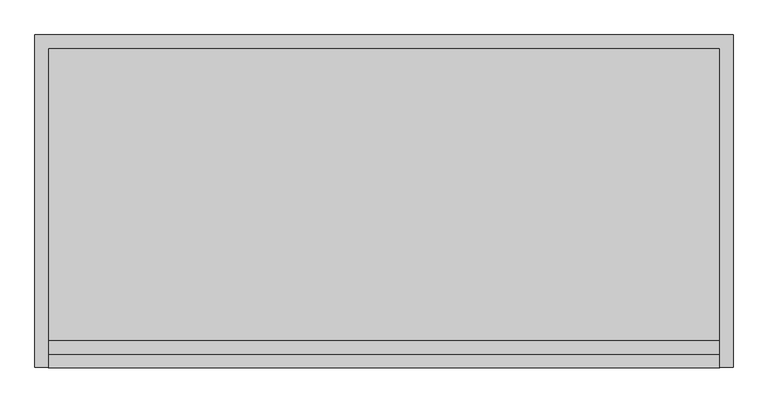
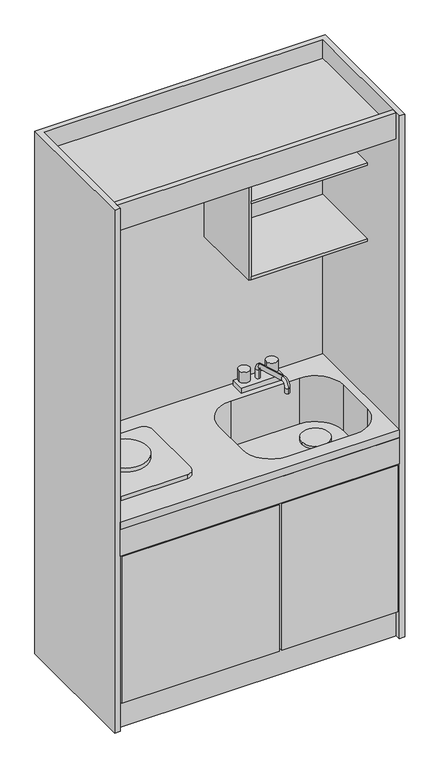
"""IFC4 building model written with IfcOpenShell, lengths in millimetres: flow terminal geometry."""

from ifc_helpers import new_model, si_unit, point, frame, frame_2d, origin, origin_with_axes, place, context, project, spatial, polyline, circle_curve, ellipse_curve, trimmed, segment, composite_curve, outline, extrude, source, transform, mapped, element, save
from ifc_brep_helpers import plane_surface, cylinder_surface, revolved_surface, advanced_brep


def flow_terminal_bab0008f(model_context):
    return source(origin(), model_context, "Body", "SolidModel", [
        extrude(outline(composite_curve([segment(trimmed(circle_curve(frame_2d((325.0, -109.5)), 20.0), [point((305.0, -109.5))], [point((345.0, -109.5))], False, "CARTESIAN"), True, "CONTINUOUS"), segment(trimmed(circle_curve(frame_2d((325.0, -109.5)), 20.0), [point((345.0, -109.5))], [point((305.0, -109.5))], False, "CARTESIAN"), True, "CONTINUOUS")], self_intersect=False)), frame((0.0, 0.0, 830.0), z_axis=(0.0, 0.0, 1.0), x_axis=(1.0, 0.0, 0.0)), (0.0, 0.0, 1.0), 40.0),
        extrude(outline(composite_curve([segment(trimmed(circle_curve(frame_2d((425.0, -109.5)), 20.0), [point((405.0, -109.5))], [point((445.0, -109.5))], False, "CARTESIAN"), True, "CONTINUOUS"), segment(trimmed(circle_curve(frame_2d((425.0, -109.5)), 20.0), [point((445.0, -109.5))], [point((405.0, -109.5))], False, "CARTESIAN"), True, "CONTINUOUS")], self_intersect=False)), frame((0.0, 0.0, 830.0), z_axis=(0.0, 0.0, 1.0), x_axis=(1.0, 0.0, 0.0)), (0.0, 0.0, 1.0), 40.0),
        extrude(outline(composite_curve([segment(trimmed(circle_curve(frame_2d((500.0, -254.5)), 50.0), [point((450.0, -254.5))], [point((550.0, -254.5))], False, "CARTESIAN"), True, "CONTINUOUS"), segment(trimmed(circle_curve(frame_2d((500.0, -254.5)), 50.0), [point((550.0, -254.5))], [point((450.0, -254.5))], False, "CARTESIAN"), True, "CONTINUOUS")], self_intersect=False)), frame((0.0, 0.0, 625.0), z_axis=(0.0, 0.0, 1.0), x_axis=(1.0, 0.0, 0.0)), (0.0, 0.0, 1.0), 10.0),
        advanced_brep(
        [(375.0, -117.5, 820.0), (375.0, -101.5, 820.0), (375.0, -101.5, 851.9796612), (375.0, -117.5, 851.9796612), (375.0, -121.7800641, 878.8943894), (375.0, -126.1914561, 863.5145447), (375.0, -266.7800641, 920.4846554), (375.0, -271.1914561, 905.1048107), (375.0, -302.5, 893.5699272), (375.0, -286.5, 893.5699272), (375.0, -286.5, 874.8101657), (375.0, -302.5, 874.8101657)],
        [
            (0, 1, circle_curve(frame((375.0, -109.5, 820.0), z_axis=(0.0, 0.0, -1.0), x_axis=(0.0, 1.0, 0.0)), 8.0)),
            (1, 0, circle_curve(frame((375.0, -109.5, 820.0), z_axis=(0.0, 0.0, -1.0), x_axis=(0.0, 1.0, 0.0)), 8.0)),
            (1, 2),
            (2, 3, circle_curve(frame((375.0, -109.5, 851.9796612), z_axis=(0.0, 0.0, -1.0), x_axis=(0.0, 1.0, 0.0)), 8.0)),
            (3, 0),
            (3, 2, circle_curve(frame((375.0, -109.5, 851.9796612), z_axis=(0.0, 0.0, -1.0), x_axis=(0.0, 1.0, 0.0)), 8.0)),
            (4, 5, circle_curve(frame((375.0, -123.9857601, 871.204467), z_axis=(0.0, 0.9612402901914646, -0.2757119955907413), x_axis=(0.0, 0.2757119955907413, 0.9612402901914646)), 8.0)),
            (5, 3, circle_curve(frame((375.0, -129.5, 851.9796612), z_axis=(-1.0, 0.0, 0.0), x_axis=(0.0, 1.0, 0.0)), 12.0)),
            (2, 4, circle_curve(frame((375.0, -129.5, 851.9796612), z_axis=(1.0, 0.0, 0.0), x_axis=(0.0, 1.0, 0.0)), 28.0)),
            (5, 4, circle_curve(frame((375.0, -123.9857601, 871.204467), z_axis=(0.0, 0.9612402901914623, -0.2757119955907494), x_axis=(0.0, 0.2757119955907494, 0.9612402901914623)), 8.0)),
            (4, 6),
            (6, 7, circle_curve(frame((375.0, -268.9857601, 912.794733), z_axis=(0.0, 0.961240290191471, -0.27571199559071913), x_axis=(0.0, 0.27571199559071913, 0.961240290191471)), 8.0)),
            (7, 5),
            (7, 6, circle_curve(frame((375.0, -268.9857601, 912.794733), z_axis=(0.0, 0.961240290191471, -0.27571199559071913), x_axis=(0.0, 0.27571199559071913, 0.961240290191471)), 8.0)),
            (8, 9, circle_curve(frame((375.0, -294.5, 893.5699272), z_axis=(0.0, 0.0, 1.0), x_axis=(0.0, -1.0, 0.0)), 8.0)),
            (9, 7, circle_curve(frame((375.0, -274.5, 893.5699272), z_axis=(-1.0, 0.0, 0.0), x_axis=(0.0, 0.27571199559073684, 0.9612402901914658)), 12.0)),
            (6, 8, circle_curve(frame((375.0, -274.5, 893.5699272), z_axis=(1.0, 0.0, 0.0), x_axis=(0.0, 0.27571199559073684, 0.9612402901914658)), 28.0)),
            (9, 8, circle_curve(frame((375.0, -294.5, 893.5699272), z_axis=(0.0, 0.0, 0.9999999999999999), x_axis=(0.0, -0.9999999999999999, 0.0)), 8.0)),
            (10, 11, circle_curve(frame((375.0, -294.5, 874.8101657), z_axis=(0.0, 0.0, -1.0), x_axis=(0.0, -1.0, 0.0)), 8.0)),
            (11, 10, circle_curve(frame((375.0, -294.5, 874.8101657), z_axis=(0.0, 0.0, -1.0), x_axis=(0.0, -1.0, 0.0)), 8.0)),
            (8, 11),
            (10, 9),
        ],
        [
            plane_surface(frame((375.0, -109.5, 820.0), z_axis=(0.0, 0.0, -1.0), x_axis=(1.0, 0.0, 0.0))),
            cylinder_surface(frame((375.0, -109.5, 820.0), z_axis=(0.0, 0.0, -1.0), x_axis=(0.0, 1.0, 0.0)), 8.0),
            revolved_surface(trimmed(ellipse_curve(frame((375.0, -109.5, 851.9796612), z_axis=(0.0, 0.0, 1.0), x_axis=(0.0, 1.0, 0.0)), 8.0, 8.0), [point((375.0, -117.5, 851.9796612))], [point((375.0, -101.5, 851.9796612))], True, "CARTESIAN"), (375.0, -129.5, 851.9796612), (-1.0, 0.0, 0.0)),
            revolved_surface(trimmed(ellipse_curve(frame((375.0, -109.5, 851.9796612), z_axis=(0.0, 0.0, 1.0), x_axis=(0.0, 1.0, 0.0)), 8.0, 8.0), [point((375.0, -101.5, 851.9796612))], [point((375.0, -117.5, 851.9796612))], True, "CARTESIAN"), (375.0, -129.5, 851.9796612), (-1.0, 0.0, 0.0)),
            cylinder_surface(frame((375.0, -123.9857601, 871.204467), z_axis=(0.0, 0.961240290191471, -0.27571199559071913), x_axis=(0.0, 0.27571199559071913, 0.961240290191471)), 8.0),
            revolved_surface(trimmed(ellipse_curve(frame((375.0, -268.9857601, 912.794733), z_axis=(0.0, -0.9612402901914658, 0.27571199559073684), x_axis=(0.0, 0.27571199559073684, 0.9612402901914658)), 8.0, 8.0), [point((375.0, -271.1914561, 905.1048107))], [point((375.0, -266.7800641, 920.4846554))], True, "CARTESIAN"), (375.0, -274.5, 893.5699272), (-1.0, 0.0, 0.0)),
            revolved_surface(trimmed(ellipse_curve(frame((375.0, -268.9857601, 912.794733), z_axis=(0.0, -0.9612402901914658, 0.27571199559073684), x_axis=(0.0, 0.27571199559073684, 0.9612402901914658)), 8.0, 8.0), [point((375.0, -266.7800641, 920.4846554))], [point((375.0, -271.1914561, 905.1048107))], True, "CARTESIAN"), (375.0, -274.5, 893.5699272), (-1.0, 0.0, 0.0)),
            plane_surface(frame((375.0, -294.5, 874.8101657), z_axis=(0.0, 0.0, -1.0), x_axis=(1.0, 0.0, 0.0))),
            cylinder_surface(frame((375.0, -294.5, 893.5699272), z_axis=(0.0, 0.0, 1.0), x_axis=(0.0, -1.0, 0.0)), 8.0),
        ],
        [
            (0, [[1, 2]]),
            (1, [[3, 4, 5, -2]]),
            (1, [[-5, 6, -3, -1]]),
            (2, [[7, 8, -4, 9]]),
            (3, [[10, -9, -6, -8]]),
            (4, [[11, 12, 13, -7]]),
            (4, [[-13, 14, -11, -10]]),
            (5, [[15, 16, -12, 17]]),
            (6, [[18, -17, -14, -16]]),
            (7, [[19, 20]]),
            (8, [[21, -19, 22, -15]]),
            (8, [[-22, -20, -21, -18]]),
        ],
    ),
        extrude(outline(polyline([(450.0, -84.5), (450.0, -134.5), (300.0, -134.5), (300.0, -84.5), (450.0, -84.5)])), frame((0.0, 0.0, 800.0), z_axis=(0.0, 0.0, 1.0), x_axis=(1.0, 0.0, 0.0)), (0.0, 0.0, 1.0), 20.0),
        extrude(outline(composite_curve([segment(trimmed(circle_curve(frame_2d((-200.0, -274.5)), 80.0), [point((-280.0, -274.5))], [point((-120.0, -274.5))], False, "CARTESIAN"), True, "CONTINUOUS"), segment(trimmed(circle_curve(frame_2d((-200.0, -274.5)), 80.0), [point((-120.0, -274.5))], [point((-280.0, -274.5))], False, "CARTESIAN"), True, "CONTINUOUS")], self_intersect=False)), frame((0.0, 0.0, 815.0), z_axis=(0.0, 0.0, 1.0), x_axis=(1.0, 0.0, 0.0)), (0.0, 0.0, 1.0), 15.0),
        extrude(outline(composite_curve([segment(trimmed(circle_curve(frame_2d((-80.0, -184.5)), 30.0), [point((-80.0, -154.5))], [point((-50.0, -184.5))], False, "CARTESIAN"), True, "CONTINUOUS"), segment(polyline([(-50.0, -184.5), (-50.0, -424.5)]), True, "CONTINUOUS"), segment(trimmed(circle_curve(frame_2d((-80.0, -424.5)), 30.0), [point((-50.0, -424.5))], [point((-80.0, -454.5))], False, "CARTESIAN"), True, "CONTINUOUS"), segment(polyline([(-80.0, -454.5), (-320.0, -454.5)]), True, "CONTINUOUS"), segment(trimmed(circle_curve(frame_2d((-320.0, -424.5)), 30.0), [point((-320.0, -454.5))], [point((-350.0, -424.5))], False, "CARTESIAN"), True, "CONTINUOUS"), segment(polyline([(-350.0, -424.5), (-350.0, -184.5)]), True, "CONTINUOUS"), segment(trimmed(circle_curve(frame_2d((-320.0, -184.5)), 30.0), [point((-350.0, -184.5))], [point((-320.0, -154.5))], False, "CARTESIAN"), True, "CONTINUOUS"), segment(polyline([(-320.0, -154.5), (-80.0, -154.5)]), True, "CONTINUOUS")], self_intersect=False)), frame((0.0, 0.0, 800.0), z_axis=(0.0, 0.0, 1.0), x_axis=(1.0, 0.0, 0.0)), (0.0, 0.0, 1.0), 15.0),
        extrude(outline(polyline([(630.0, -534.5), (630.0, -554.5), (-380.0, -554.5), (-380.0, -534.5), (630.0, -534.5)])), frame((0.0, 0.0, 670.0), z_axis=(0.0, 0.0, 1.0), x_axis=(1.0, 0.0, 0.0)), (0.0, 0.0, 1.0), 100.0),
        advanced_brep(
        [(-380.0, -74.5, 770.0), (630.0, -74.5, 770.0), (630.0, -554.5, 770.0), (-380.0, -554.5, 770.0), (250.0, -144.5, 770.0), (140.0, -254.5, 770.0), (140.0, -404.5, 770.0), (250.0, -514.5, 770.0), (500.0, -514.5, 770.0), (610.0, -404.5, 770.0), (610.0, -254.5, 770.0), (500.0, -144.5, 770.0), (-380.0, -74.5, 800.0), (-380.0, -554.5, 800.0), (630.0, -554.5, 800.0), (630.0, -74.5, 800.0), (600.0, -254.5, 800.0), (600.0, -404.5, 800.0), (500.0, -504.5, 800.0), (250.0, -504.5, 800.0), (150.0, -404.5, 800.0), (150.0, -254.5, 800.0), (250.0, -154.5, 800.0), (500.0, -154.5, 800.0), (500.0, -144.5, 620.0), (610.0, -254.5, 620.0), (610.0, -404.5, 620.0), (500.0, -514.5, 620.0), (250.0, -514.5, 620.0), (140.0, -404.5, 620.0), (140.0, -254.5, 620.0), (250.0, -144.5, 620.0), (500.0, -154.5, 625.0), (250.0, -154.5, 625.0), (150.0, -254.5, 625.0), (150.0, -404.5, 625.0), (250.0, -504.5, 625.0), (500.0, -504.5, 625.0), (600.0, -404.5, 625.0), (600.0, -254.5, 625.0)],
        [
            (0, 1),
            (1, 2),
            (2, 3),
            (3, 0),
            (4, 5, circle_curve(frame((250.0, -254.5, 770.0), z_axis=(0.0, 0.0, 1.0), x_axis=(0.0, -1.0, 0.0)), 110.0)),
            (5, 6),
            (6, 7, circle_curve(frame((250.0, -404.5, 770.0), z_axis=(0.0, 0.0, 1.0), x_axis=(0.0, -1.0, 0.0)), 110.0)),
            (7, 8),
            (8, 9, circle_curve(frame((500.0, -404.5, 770.0), z_axis=(0.0, 0.0, 1.0), x_axis=(0.0, -1.0, 0.0)), 110.0)),
            (9, 10),
            (10, 11, circle_curve(frame((500.0, -254.5, 770.0), z_axis=(0.0, 0.0, 1.0), x_axis=(0.0, -1.0, 0.0)), 110.0)),
            (11, 4),
            (12, 13),
            (13, 14),
            (14, 15),
            (15, 12),
            (16, 17),
            (17, 18, circle_curve(frame((500.0, -404.5, 800.0), z_axis=(0.0, 0.0, -1.0), x_axis=(1.0, 0.0, 0.0)), 100.0)),
            (18, 19),
            (19, 20, circle_curve(frame((250.0, -404.5, 800.0), z_axis=(0.0, 0.0, -1.0), x_axis=(1.0, 0.0, 0.0)), 100.0)),
            (20, 21),
            (21, 22, circle_curve(frame((250.0, -254.5, 800.0), z_axis=(0.0, 0.0, -1.0), x_axis=(1.0, 0.0, 0.0)), 100.0)),
            (22, 23),
            (23, 16, circle_curve(frame((500.0, -254.5, 800.0), z_axis=(0.0, 0.0, -1.0), x_axis=(1.0, 0.0, 0.0)), 100.0)),
            (3, 13),
            (12, 0),
            (2, 14),
            (1, 15),
            (24, 25, circle_curve(frame((500.0, -254.5, 620.0), z_axis=(0.0, 0.0, -1.0), x_axis=(0.0, -1.0, 0.0)), 110.0)),
            (25, 26),
            (26, 27, circle_curve(frame((500.0, -404.5, 620.0), z_axis=(0.0, 0.0, -1.0), x_axis=(0.0, -1.0, 0.0)), 110.0)),
            (27, 28),
            (28, 29, circle_curve(frame((250.0, -404.5, 620.0), z_axis=(0.0, 0.0, -1.0), x_axis=(0.0, -1.0, 0.0)), 110.0)),
            (29, 30),
            (30, 31, circle_curve(frame((250.0, -254.5, 620.0), z_axis=(0.0, 0.0, -1.0), x_axis=(0.0, -1.0, 0.0)), 110.0)),
            (31, 24),
            (31, 4),
            (11, 24),
            (30, 5),
            (29, 6),
            (28, 7),
            (27, 8),
            (26, 9),
            (25, 10),
            (32, 33),
            (33, 34, circle_curve(frame((250.0, -254.5, 625.0), z_axis=(0.0, 0.0, 1.0), x_axis=(1.0, 0.0, 0.0)), 100.0)),
            (34, 35),
            (35, 36, circle_curve(frame((250.0, -404.5, 625.0), z_axis=(0.0, 0.0, 1.0), x_axis=(1.0, 0.0, 0.0)), 100.0)),
            (36, 37),
            (37, 38, circle_curve(frame((500.0, -404.5, 625.0), z_axis=(0.0, 0.0, 1.0), x_axis=(1.0, 0.0, 0.0)), 100.0)),
            (38, 39),
            (39, 32, circle_curve(frame((500.0, -254.5, 625.0), z_axis=(0.0, 0.0, 1.0), x_axis=(1.0, 0.0, 0.0)), 100.0)),
            (39, 16),
            (23, 32),
            (38, 17),
            (37, 18),
            (36, 19),
            (35, 20),
            (34, 21),
            (33, 22),
        ],
        [
            plane_surface(frame((-380.0, -554.5, 770.0), z_axis=(0.0, 0.0, -1.0), x_axis=(0.0, -1.0, 0.0))),
            plane_surface(frame((-380.0, -554.5, 800.0), z_axis=(0.0, 0.0, 1.0), x_axis=(0.0, 1.0, 0.0))),
            plane_surface(frame((-380.0, -74.5, 770.0), z_axis=(-1.0, 0.0, 0.0), x_axis=(0.0, 0.0, 1.0))),
            plane_surface(frame((-380.0, -554.5, 770.0), z_axis=(0.0, -1.0, 0.0), x_axis=(0.0, 0.0, 1.0))),
            plane_surface(frame((630.0, -554.5, 770.0), z_axis=(1.0, 0.0, 0.0), x_axis=(0.0, 0.0, 1.0))),
            plane_surface(frame((630.0, -74.5, 770.0), z_axis=(0.0, 1.0, 0.0), x_axis=(0.0, 0.0, 1.0))),
            plane_surface(frame((250.0, -144.5, 620.0), z_axis=(0.0, 0.0, -1.0), x_axis=(-1.0, 0.0, 0.0))),
            plane_surface(frame((500.0, -144.5, 620.0), z_axis=(0.0, 1.0, 0.0), x_axis=(0.0, 0.0, 1.0))),
            cylinder_surface(frame((250.0, -254.5, 770.0), z_axis=(0.0, 0.0, -1.0), x_axis=(0.0, -1.0, 0.0)), 110.0),
            plane_surface(frame((140.0, -254.5, 620.0), z_axis=(-1.0, 0.0, 0.0), x_axis=(0.0, 0.0, 1.0))),
            cylinder_surface(frame((250.0, -404.5, 770.0), z_axis=(0.0, 0.0, -1.0), x_axis=(0.0, -1.0, 0.0)), 110.0),
            plane_surface(frame((250.0, -514.5, 620.0), z_axis=(0.0, -1.0, 0.0), x_axis=(0.0, 0.0, 1.0))),
            cylinder_surface(frame((500.0, -404.5, 770.0), z_axis=(0.0, 0.0, -1.0), x_axis=(0.0, -1.0, 0.0)), 110.0),
            plane_surface(frame((610.0, -404.5, 620.0), z_axis=(1.0, 0.0, 0.0), x_axis=(0.0, 0.0, 1.0))),
            cylinder_surface(frame((500.0, -254.5, 770.0), z_axis=(0.0, 0.0, -1.0), x_axis=(0.0, -1.0, 0.0)), 110.0),
            plane_surface(frame((600.0, -254.5, 625.0), z_axis=(0.0, 0.0, 1.0), x_axis=(0.0, 1.0, 0.0))),
            revolved_surface(polyline([(600.0, -254.5, 800.0), (600.0, -254.5, 625.0)]), (500.0, -254.5, 625.0), (0.0, 0.0, 1.0)),
            plane_surface(frame((600.0, -254.5, 800.0), z_axis=(-1.0, 0.0, 0.0), x_axis=(0.0, 0.0, -1.0))),
            revolved_surface(polyline([(600.0, -404.5, 800.0), (600.0, -404.5, 625.0)]), (500.0, -404.5, 625.0), (0.0, 0.0, 1.0)),
            plane_surface(frame((500.0, -504.5, 800.0), z_axis=(0.0, 1.0, 0.0), x_axis=(0.0, 0.0, -1.0))),
            revolved_surface(polyline([(350.0, -404.5, 800.0), (350.0, -404.5, 625.0)]), (250.0, -404.5, 625.0), (0.0, 0.0, 1.0)),
            plane_surface(frame((150.0, -404.5, 800.0), z_axis=(1.0, 0.0, 0.0), x_axis=(0.0, 0.0, -1.0))),
            revolved_surface(polyline([(350.0, -254.5, 800.0), (350.0, -254.5, 625.0)]), (250.0, -254.5, 625.0), (0.0, 0.0, 1.0)),
            plane_surface(frame((250.0, -154.5, 800.0), z_axis=(0.0, -1.0, 0.0), x_axis=(0.0, 0.0, -1.0))),
        ],
        [
            (0, [[1, 2, 3, 4], [5, 6, 7, 8, 9, 10, 11, 12]]),
            (1, [[13, 14, 15, 16], [17, 18, 19, 20, 21, 22, 23, 24]]),
            (2, [[25, -13, 26, -4]]),
            (3, [[27, -14, -25, -3]]),
            (4, [[28, -15, -27, -2]]),
            (5, [[-26, -16, -28, -1]]),
            (6, [[29, 30, 31, 32, 33, 34, 35, 36]]),
            (7, [[37, -12, 38, -36]]),
            (8, [[39, -5, -37, -35]]),
            (9, [[40, -6, -39, -34]]),
            (10, [[41, -7, -40, -33]]),
            (11, [[42, -8, -41, -32]]),
            (12, [[43, -9, -42, -31]]),
            (13, [[44, -10, -43, -30]]),
            (14, [[-38, -11, -44, -29]]),
            (15, [[45, 46, 47, 48, 49, 50, 51, 52]]),
            (16, [[53, -24, 54, -52]]),
            (17, [[55, -17, -53, -51]]),
            (18, [[56, -18, -55, -50]]),
            (19, [[57, -19, -56, -49]]),
            (20, [[58, -20, -57, -48]]),
            (21, [[59, -21, -58, -47]]),
            (22, [[60, -22, -59, -46]]),
            (23, [[-54, -23, -60, -45]]),
        ],
    ),
        extrude(outline(polyline([(-380.0, -534.5), (-380.0, -74.5), (630.0, -74.5), (630.0, -534.5), (-380.0, -534.5)])), origin_with_axes(), (0.0, 0.0, 1.0), 100.0),
        extrude(outline(polyline([(-400.0, -54.5), (650.0, -54.5), (650.0, -554.5), (630.0, -554.5), (630.0, -74.5), (-380.0, -74.5), (-380.0, -554.5), (-400.0, -554.5), (-400.0, -54.5)])), origin_with_axes(), (0.0, 0.0, 1.0), 2000.0),
        extrude(outline(polyline([(630.0, -74.5), (630.0, -354.5), (210.0, -354.5), (210.0, -74.5), (630.0, -74.5)])), frame((0.0, 0.0, 1690.0), z_axis=(0.0, 0.0, 1.0), x_axis=(1.0, 0.0, 0.0)), (0.0, 0.0, 1.0), 10.0),
        extrude(outline(polyline([(630.0, -74.5), (630.0, -354.5), (210.0, -354.5), (210.0, -74.5), (630.0, -74.5)])), frame((0.0, 0.0, 1400.0), z_axis=(0.0, 0.0, 1.0), x_axis=(1.0, 0.0, 0.0)), (0.0, 0.0, 1.0), 10.0),
        extrude(outline(polyline([(200.0, -74.5), (210.0, -74.5), (210.0, -354.5), (200.0, -354.5), (200.0, -74.5)])), frame((0.0, 0.0, 1400.0), z_axis=(0.0, 0.0, 1.0), x_axis=(1.0, 0.0, 0.0)), (0.0, 0.0, 1.0), 515.0),
        extrude(outline(polyline([(630.0, -74.5), (630.0, -514.5), (-380.0, -514.5), (-380.0, -74.5), (630.0, -74.5)])), frame((0.0, 0.0, 1915.0), z_axis=(0.0, 0.0, 1.0), x_axis=(1.0, 0.0, 0.0)), (0.0, 0.0, 1.0), 15.0),
        extrude(outline(polyline([(625.0, -534.5), (625.0, -554.5), (205.0, -554.5), (205.0, -534.5), (625.0, -534.5)])), frame((0.0, 0.0, 105.0), z_axis=(0.0, 0.0, 1.0), x_axis=(1.0, 0.0, 0.0)), (0.0, 0.0, 1.0), 560.0),
        extrude(outline(polyline([(195.0, -534.5), (195.0, -554.5), (-375.0, -554.5), (-375.0, -534.5), (195.0, -534.5)])), frame((0.0, 0.0, 105.0), z_axis=(0.0, 0.0, 1.0), x_axis=(1.0, 0.0, 0.0)), (0.0, 0.0, 1.0), 560.0),
        extrude(outline(polyline([(630.0, -514.5), (630.0, -534.5), (-380.0, -534.5), (-380.0, -514.5), (630.0, -514.5)])), frame((0.0, 0.0, 1900.0), z_axis=(0.0, 0.0, 1.0), x_axis=(1.0, 0.0, 0.0)), (0.0, 0.0, 1.0), 100.0),
    ])


if __name__ == "__main__":
    model = new_model("IFC4")
    model_context = context("Model", 3, world=origin())
    ifc_project = project(units=[si_unit("LENGTHUNIT", "METRE", prefix="MILLI")], contexts=[model_context])
    site = spatial("IfcSite", under=ifc_project)
    building = spatial("IfcBuilding", under=site)
    placement = place(None, origin())
    flow_terminal_shape = flow_terminal_bab0008f(model_context)
    element("IfcFlowTerminal", 1, at=placement, inside=building, context=model_context, shape_type="MappedRepresentation", body=[
        mapped(flow_terminal_shape, transform((0.0, 0.0, 0.0), x_axis=(1.0, 0.0, 0.0), y_axis=(0.0, 1.0, 0.0), z_axis=(0.0, 0.0, 1.0))),
    ])
    save(model, "model.ifc")
